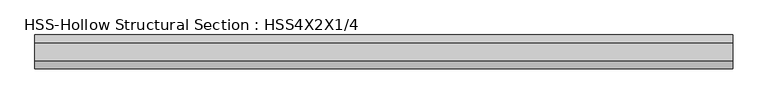
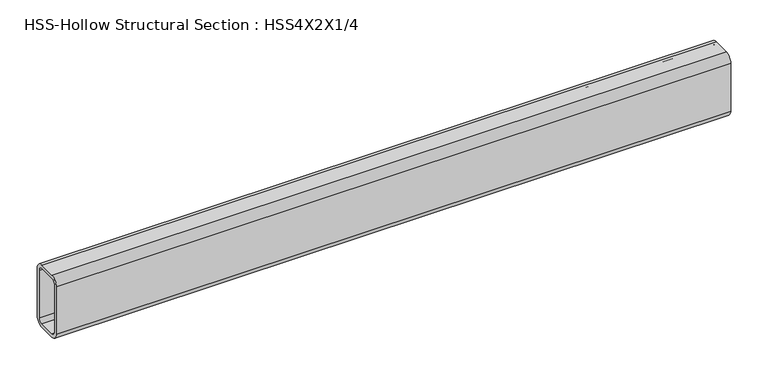
"""IFC4 building model written with IfcOpenShell, lengths in millimetres: beam geometry, HSS-Hollow Structural Section : HSS4X2X1/4."""

from ifc_helpers import new_model, si_unit, point, frame, frame_2d, origin, place, context, project, spatial, polyline, circle_curve, trimmed, segment, composite_curve, outline, extrude, source, transform, mapped, element, save


def hss_hollow_structural_section_hss4x2x1_4_55665586(model_context):
    return source(origin(), model_context, "Body", "SweptSolid", [
        extrude(outline(composite_curve([segment(polyline([(25.4, 38.9636), (25.4, -38.9636)]), True, "CONTINUOUS"), segment(trimmed(circle_curve(frame_2d((13.5636, -38.9636)), 11.8364), [point((25.4, -38.9636))], [point((13.5636, -50.8))], False, "CARTESIAN"), True, "CONTINUOUS"), segment(polyline([(13.5636, -50.8), (-13.5636, -50.8)]), True, "CONTINUOUS"), segment(trimmed(circle_curve(frame_2d((-13.5636, -38.9636)), 11.8364), [point((-13.5636, -50.8))], [point((-25.4, -38.9636))], False, "CARTESIAN"), True, "CONTINUOUS"), segment(polyline([(-25.4, -38.9636), (-25.4, 38.9636)]), True, "CONTINUOUS"), segment(trimmed(circle_curve(frame_2d((-13.5636, 38.9636)), 11.8364), [point((-25.4, 38.9636))], [point((-13.5636, 50.8))], False, "CARTESIAN"), True, "CONTINUOUS"), segment(polyline([(-13.5636, 50.8), (13.5636, 50.8)]), True, "CONTINUOUS"), segment(trimmed(circle_curve(frame_2d((13.5636, 38.9636)), 11.8364), [point((13.5636, 50.8))], [point((25.4, 38.9636))], False, "CARTESIAN"), True, "CONTINUOUS")], self_intersect=False), holes=[composite_curve([segment(trimmed(circle_curve(frame_2d((-13.5636, 38.9636)), 5.9182), [point((-13.5636, 44.8818))], [point((-19.4818, 38.9636))], True, "CARTESIAN"), True, "CONTINUOUS"), segment(polyline([(-19.4818, 38.9636), (-19.4818, -38.9636)]), True, "CONTINUOUS"), segment(trimmed(circle_curve(frame_2d((-13.5636, -38.9636)), 5.9182), [point((-19.4818, -38.9636))], [point((-13.5636, -44.8818))], True, "CARTESIAN"), True, "CONTINUOUS"), segment(polyline([(-13.5636, -44.8818), (13.5636, -44.8818)]), True, "CONTINUOUS"), segment(trimmed(circle_curve(frame_2d((13.5636, -38.9636)), 5.9182), [point((13.5636, -44.8818))], [point((19.4818, -38.9636))], True, "CARTESIAN"), True, "CONTINUOUS"), segment(polyline([(19.4818, -38.9636), (19.4818, 38.9636)]), True, "CONTINUOUS"), segment(trimmed(circle_curve(frame_2d((13.5636, 38.9636)), 5.9182), [point((19.4818, 38.9636))], [point((13.5636, 44.8818))], True, "CARTESIAN"), True, "CONTINUOUS"), segment(polyline([(13.5636, 44.8818), (-13.5636, 44.8818)]), True, "CONTINUOUS")], self_intersect=False)]), frame((-521.843, 0.0, 0.0), z_axis=(1.0, 0.0, 0.0), x_axis=(0.0, 1.0, 0.0)), (0.0, 0.0, 1.0), 1043.686),
    ])


if __name__ == "__main__":
    model = new_model("IFC4")
    model_context = context("Model", 3, world=origin())
    ifc_project = project(units=[si_unit("LENGTHUNIT", "METRE", prefix="MILLI")], contexts=[model_context])
    site = spatial("IfcSite", under=ifc_project)
    building = spatial("IfcBuilding", under=site)
    placement = place(None, origin())
    hss_hollow_structural_section_hss4x2x1_4_shape = hss_hollow_structural_section_hss4x2x1_4_55665586(model_context)
    element("IfcBeam", 1, ObjectType="HSS-Hollow Structural Section : HSS4X2X1/4", at=placement, inside=building, context=model_context, shape_type="MappedRepresentation", body=[
        mapped(hss_hollow_structural_section_hss4x2x1_4_shape, transform((0.0, 0.0, 0.0), x_axis=(1.0, 0.0, 0.0), y_axis=(0.0, 1.0, 0.0), z_axis=(0.0, 0.0, 1.0))),
    ])
    save(model, "model.ifc")
